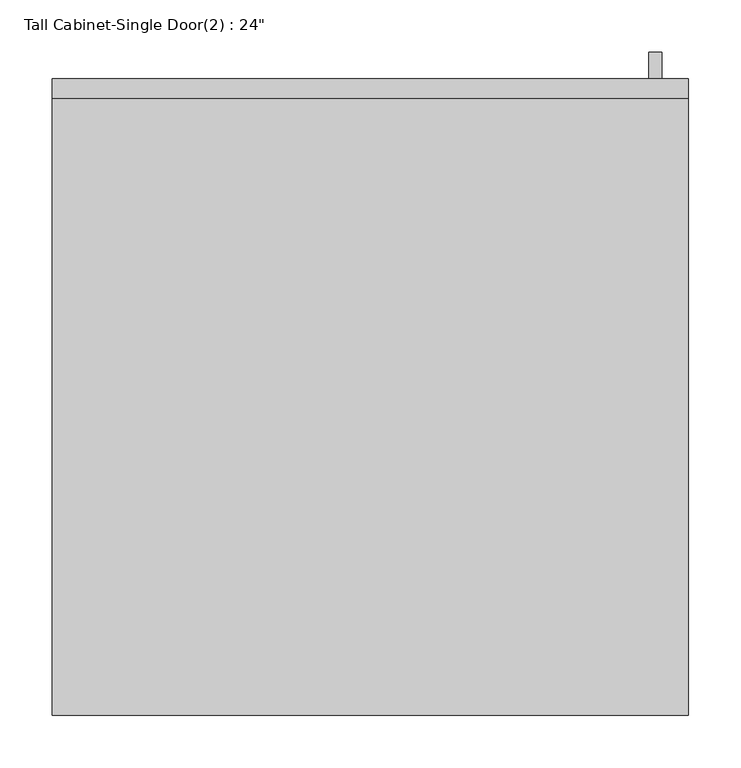
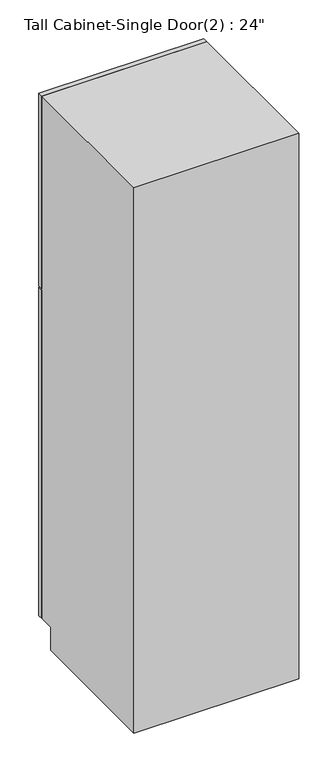
"""IFC4 building model written with IfcOpenShell, lengths in millimetres: furniture geometry."""

from ifc_helpers import new_model, si_unit, frame, origin, place, context, project, spatial, polyline, outline, extrude, faceted_brep, source, transform, mapped, element, save


def furniture_05d51560(model_context):
    return source(origin(), model_context, "Body", "SolidModel", [
        faceted_brep([(323.5377049, 590.55, 90.4875), (-286.0622951, 590.55, 90.4875), (-286.0622951, 590.55, 2133.6), (323.5377049, 590.55, 2133.6), (304.4877049, 590.55, 2114.55), (-267.0122951, 590.55, 2114.55), (-267.0122951, 590.55, 109.5375), (304.4877049, 590.55, 109.5375), (-286.0622951, 0.0, 2133.6), (-286.0622951, 0.0, 0.0), (323.5377049, 0.0, 0.0), (323.5377049, 0.0, 2133.6), (323.5377049, 533.4, 0.0), (323.5377049, 533.4, 90.4875), (-286.0622951, 533.4, 90.4875), (-286.0622951, 533.4, 0.0), (304.4877049, 19.05, 109.5375), (304.4877049, 19.05, 2114.55), (-267.0122951, 19.05, 109.5375), (-267.0122951, 19.05, 2114.55)], [[[0, 1, 2, 3], [4, 5, 6, 7]], [[8, 9, 10, 11]], [[3, 11, 10, 12, 13, 0]], [[2, 8, 11, 3]], [[1, 14, 15, 9, 8, 2]], [[0, 13, 14, 1]], [[7, 16, 17, 4]], [[6, 18, 16, 7]], [[5, 19, 18, 6]], [[4, 17, 19, 5]], [[10, 9, 15, 12]], [[15, 14, 13, 12]], [[16, 18, 19, 17]]]),
        extrude(outline(polyline([(298.1377049, 635.0), (298.1377049, 609.6), (285.6054733, 609.6), (285.6054733, 635.0), (298.1377049, 635.0)])), frame((0.0, 0.0, 1403.5480367), z_axis=(0.0, 0.0, 1.0), x_axis=(1.0, 0.0, 0.0)), (0.0, 0.0, 1.0), 101.6),
        extrude(outline(polyline([(298.1377049, 635.0), (298.1377049, 609.6), (285.6054733, 609.6), (285.6054733, 635.0), (298.1377049, 635.0)])), frame((0.0, 0.0, 1251.1480367), z_axis=(0.0, 0.0, 1.0), x_axis=(1.0, 0.0, 0.0)), (0.0, 0.0, 1.0), 101.6),
        extrude(outline(polyline([(260.0377049, 596.9), (260.0377049, 590.55), (-222.5622951, 590.55), (-222.5622951, 596.9), (260.0377049, 596.9)])), frame((0.0, 0.0, 1441.6480367), z_axis=(0.0, 0.0, 1.0), x_axis=(1.0, 0.0, 0.0)), (0.0, 0.0, 1.0), 628.4519633),
        extrude(outline(polyline([(260.0377049, 596.9), (260.0377049, 590.55), (-222.5622951, 590.55), (-222.5622951, 596.9), (260.0377049, 596.9)])), frame((0.0, 0.0, 153.9875), z_axis=(0.0, 0.0, 1.0), x_axis=(1.0, 0.0, 0.0)), (0.0, 0.0, 1.0), 1160.6605367),
        extrude(outline(polyline([(2133.6, 323.5377049), (2133.6, -286.0622951), (1381.3230367, -286.0622951), (1381.3230367, 323.5377049), (2133.6, 323.5377049)]), holes=[polyline([(2070.1, 260.0377049), (1441.6480367, 260.0377049), (1441.6480367, -222.5622951), (2070.1, -222.5622951), (2070.1, 260.0377049)])]), frame((0.0, 590.55, 0.0), z_axis=(0.0, 1.0, 0.0), x_axis=(0.0, 0.0, 1.0)), (0.0, 0.0, 1.0), 19.05),
        extrude(outline(polyline([(90.4875, 323.5377049), (1374.9730367, 323.5377049), (1374.9730367, -286.0622951), (90.4875, -286.0622951), (90.4875, 323.5377049)]), holes=[polyline([(1314.6480367, 260.0377049), (153.9875, 260.0377049), (153.9875, -222.5622951), (1314.6480367, -222.5622951), (1314.6480367, 260.0377049)])]), frame((0.0, 590.55, 0.0), z_axis=(0.0, 1.0, 0.0), x_axis=(0.0, 0.0, 1.0)), (0.0, 0.0, 1.0), 19.05),
    ])


if __name__ == "__main__":
    model = new_model("IFC4")
    model_context = context("Model", 3, world=origin())
    ifc_project = project(units=[si_unit("LENGTHUNIT", "METRE", prefix="MILLI")], contexts=[model_context])
    site = spatial("IfcSite", under=ifc_project)
    building = spatial("IfcBuilding", under=site)
    placement = place(None, origin())
    furniture_shape = furniture_05d51560(model_context)
    element("IfcFurniture", 1, ObjectType="Tall Cabinet-Single Door(2) : 24\"", at=placement, inside=building, context=model_context, shape_type="MappedRepresentation", body=[
        mapped(furniture_shape, transform((0.0, 0.0, 0.0), x_axis=(1.0, 0.0, 0.0), y_axis=(0.0, 1.0, 0.0), z_axis=(0.0, 0.0, 1.0))),
    ])
    save(model, "model.ifc")
